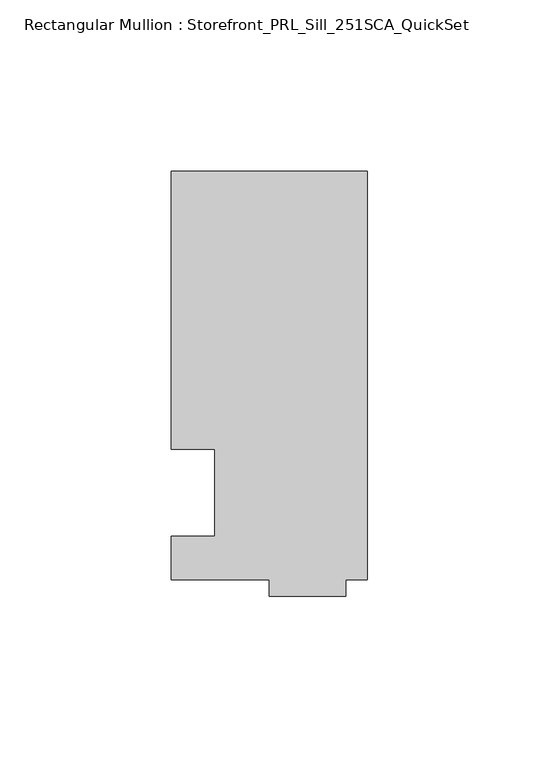
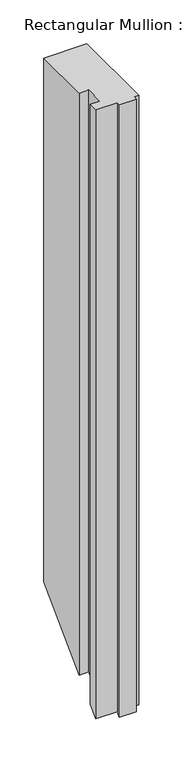
"""IFC4 building model written with IfcOpenShell, lengths in millimetres: member geometry, Rectangular Mullion : Storefront_PRL_Sill_251SCA_QuickSet."""

from ifc_helpers import new_model, si_unit, origin, place, context, project, spatial, faceted_brep, source, transform, mapped, element, save


def rectangular_mullion_storefront_prl_sill_251sca_quickset_1bf0de67(model_context):
    return source(origin(), model_context, "Body", "Brep", [
        faceted_brep([(-44.45, 12.7, 0.0), (-44.45, -12.7, 0.0), (-57.15, -12.7, 0.0), (-57.15, -25.4, 0.0), (-28.575, -25.4, 0.0), (-28.575, -30.1625, 0.0), (-6.35, -30.1625, 0.0), (-6.35, -25.4, 0.0), (0.0, -25.4, 0.0), (0.0, 93.6625, 0.0), (-6.35, 93.6625, 0.0), (-57.15, 93.6625, 0.0), (-57.15, 12.7, 0.0), (-44.45, 12.7, -812.8), (-44.45, -12.7, -838.2), (-57.15, -12.7, -838.2), (-57.15, -25.4, -850.9), (-28.575, -25.4, -850.9), (-28.575, -30.1625, -855.6625), (-6.35, -30.1625, -855.6625), (-6.35, -25.4, -850.9), (0.0, -25.4, -850.9), (0.0, 93.6625, -731.8375), (-6.35, 93.6625, -731.8375), (-57.15, 93.6625, -731.8375), (-57.15, 12.7, -812.8)], [[[0, 1, 2, 3, 4, 5, 6, 7, 8, 9, 10, 11, 12]], [[1, 0, 13, 14]], [[2, 1, 14, 15]], [[3, 2, 15, 16]], [[4, 3, 16, 17]], [[5, 4, 17, 18]], [[6, 5, 18, 19]], [[7, 6, 19, 20]], [[8, 7, 20, 21]], [[9, 8, 21, 22]], [[10, 9, 22, 23]], [[11, 10, 23, 24]], [[12, 11, 24, 25]], [[0, 12, 25, 13]], [[13, 25, 24, 23, 22, 21, 20, 19, 18, 17, 16, 15, 14]]]),
    ])


if __name__ == "__main__":
    model = new_model("IFC4")
    model_context = context("Model", 3, world=origin())
    ifc_project = project(units=[si_unit("LENGTHUNIT", "METRE", prefix="MILLI")], contexts=[model_context])
    site = spatial("IfcSite", under=ifc_project)
    building = spatial("IfcBuilding", under=site)
    placement = place(None, origin())
    rectangular_mullion_storefront_prl_sill_251sca_quickset_shape = rectangular_mullion_storefront_prl_sill_251sca_quickset_1bf0de67(model_context)
    element("IfcMember", 1, ObjectType="Rectangular Mullion : Storefront_PRL_Sill_251SCA_QuickSet", at=placement, inside=building, context=model_context, shape_type="MappedRepresentation", body=[
        mapped(rectangular_mullion_storefront_prl_sill_251sca_quickset_shape, transform((0.0, 0.0, 0.0), x_axis=(1.0, 0.0, 0.0), y_axis=(0.0, 1.0, 0.0), z_axis=(0.0, 0.0, 1.0))),
    ])
    save(model, "model.ifc")
